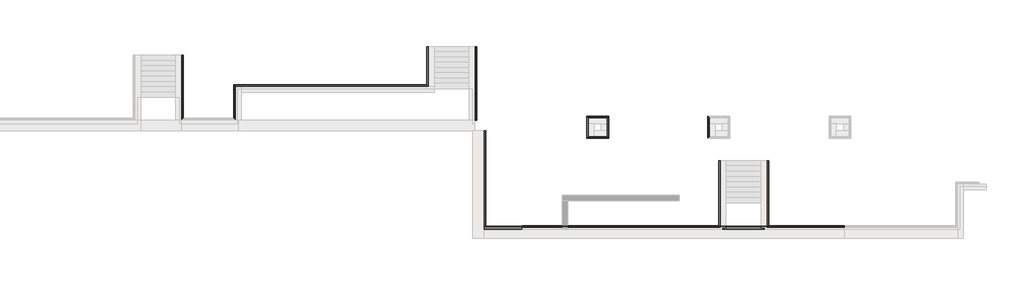
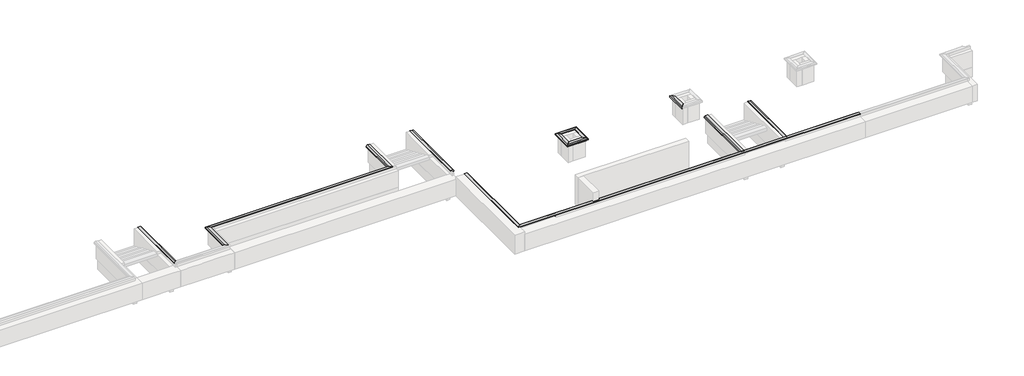
# One storey, part 9 of 10: 14 proxies.
"""IFC4 building model written with IfcOpenShell, lengths in millimetres."""

from ifc_helpers import new_model, si_unit, point, frame, frame_2d, origin, place, context, project, spatial, polyline, circle_curve, ellipse_curve, trimmed, segment, composite_curve, outline, extrude, element, save
from ifc_brep_helpers import plane_surface, revolved_surface, advanced_brep

model = new_model("IFC4")

# Units and contexts
model_context = context("Model", 3, world=origin())
ifc_project = project(units=[si_unit("LENGTHUNIT", "METRE", prefix="MILLI")], contexts=[model_context])

# Site, building, storey
site = spatial("IfcSite", under=ifc_project)
building = spatial("IfcBuilding", under=site)
storey = spatial("IfcBuildingStorey", under=building, Elevation=-1200.0)

# Proxies
placement = place(None, origin())
element("IfcBuildingElementProxy", 1, Name="Wall Sweeps", at=placement, inside=storey, context=model_context, shape_type="AdvancedBrep", body=[
    advanced_brep(
    [(-1774.9887159, 7118.1079487, -15.0), (-1839.9887159, 7053.1079487, 30.51349), (-1989.9887159, 6903.1079487, 30.51349), (-1989.9887159, 6903.1079487, 0.0), (-1889.9887159, 7003.1079487, 0.0), (-1889.9887159, 7003.1079487, -150.0), (-1839.9887159, 7053.1079487, -150.0), (-1774.9887159, 7118.1079487, -85.0), (-1774.9887159, 10693.1079487, -15.0), (-1774.9887159, 10693.1079487, -85.0), (-1839.9887159, 10693.1079487, -150.0), (-1889.9887159, 10693.1079487, -150.0), (-1889.9887159, 10693.1079487, 0.0), (-1989.9887159, 10693.1079487, 0.0), (-1989.9887159, 10693.1079487, 30.51349), (-1839.9887159, 10693.1079487, 30.51349), (-1989.9887159, 7003.1079487, 0.0), (-1989.9887159, 8293.1079487, 0.0)],
    [
        (0, 1),
        (1, 2),
        (2, 3),
        (3, 4),
        (4, 5),
        (5, 6),
        (6, 7, ellipse_curve(frame((-1774.9887159, 7118.1079487, -150.0), z_axis=(-0.7071067811865462, 0.7071067811865489, 0.0), x_axis=(0.7071067811865489, 0.707106781186546, 0.0)), 91.9238816, 65.0)),
        (7, 0),
        (8, 9),
        (9, 10, circle_curve(frame((-1774.9887159, 10693.1079487, -150.0), z_axis=(0.0, -1.0, 0.0), x_axis=(1.0, 0.0, 0.0)), 65.0)),
        (10, 11),
        (11, 12),
        (12, 13),
        (13, 14),
        (14, 15),
        (15, 8),
        (7, 9),
        (8, 0),
        (6, 10),
        (5, 11),
        (4, 12),
        (3, 16),
        (16, 17),
        (17, 13),
        (2, 14),
        (1, 15),
    ],
    [
        plane_surface(frame((-1889.9887159, 7003.1079487, 304.8), z_axis=(0.7071067811865462, -0.7071067811865489, 0.0), x_axis=(0.7071067811865489, 0.7071067811865462, 0.0))),
        plane_surface(frame((-2048.1025989, 10693.1079487, 0.0), z_axis=(0.0, 1.0, 0.0), x_axis=(0.0, 0.0, 1.0))),
        plane_surface(frame((-1774.9887159, 7118.1079487, -85.0), z_axis=(1.0, 0.0, 0.0), x_axis=(0.0, 1.0, 0.0))),
        revolved_surface(polyline([(-1709.9887159, 10693.1079487, -150.0), (-1709.9887159, 7053.107948667651, -150.0)]), (-1774.9887159, 7003.1079487, -150.0), (0.0, 1.0, 0.0)),
        plane_surface(frame((-1889.9887159, 7003.1079487, -150.0), z_axis=(0.0, 0.0, -1.0), x_axis=(0.0, 1.0, 0.0))),
        plane_surface(frame((-1889.9887159, 7003.1079487, 0.0), z_axis=(-1.0, 0.0, 0.0), x_axis=(0.0, 1.0, 0.0))),
        plane_surface(frame((-1989.9887159, 6903.1079487, 0.0), z_axis=(0.0, 0.0, -1.0), x_axis=(0.0, 1.0, 0.0))),
        plane_surface(frame((-1989.9887159, 6903.1079487, 30.51349), z_axis=(-1.0, 0.0, 0.0), x_axis=(0.0, 1.0, 0.0))),
        plane_surface(frame((-1839.9887159, 7053.1079487, 30.51349), z_axis=(0.0, 0.0, 1.0), x_axis=(0.0, 1.0, 0.0))),
        plane_surface(frame((-1774.9887159, 7118.1079487, -15.0), z_axis=(0.5735764363510482, 0.0, 0.8191520442889904), x_axis=(0.0, 1.0, 0.0))),
    ],
    [
        (0, [[1, 2, 3, 4, 5, 6, 7, 8]]),
        (1, [[9, 10, 11, 12, 13, 14, 15, 16]]),
        (2, [[-8, 17, -9, 18]]),
        (3, [[-7, 19, -10, -17]]),
        (4, [[-6, 20, -11, -19]]),
        (5, [[-5, 21, -12, -20]]),
        (6, [[-4, 22, 23, 24, -13, -21]]),
        (7, [[-3, 25, -14, -24, -23, -22]]),
        (8, [[-2, 26, -15, -25]]),
        (9, [[-1, -18, -16, -26]]),
    ],
),
])
element("IfcBuildingElementProxy", 2, Name="Wall Sweeps", at=placement, inside=storey, context=model_context, shape_type="AdvancedBrep", body=[
    advanced_brep(
    [(1095.0112841, 7118.1079487, -15.0), (1095.0112841, 7118.1079487, -85.0), (1160.0112841, 7053.1079487, -150.0), (1210.0112841, 7003.1079487, -150.0), (1210.0112841, 7003.1079487, 0.0), (1310.0112841, 6903.1079487, 0.0), (1310.0112841, 6903.1079487, 30.51349), (1160.0112841, 7053.1079487, 30.51349), (1095.0112841, 9008.1079487, -15.0), (1160.0112841, 8943.1079487, 30.51349), (1310.0112841, 8793.1079487, 30.51349), (1310.0112841, 8793.1079487, 0.0), (1210.0112841, 8893.1079487, 0.0), (1210.0112841, 8893.1079487, -150.0), (1160.0112841, 8943.1079487, -150.0), (1095.0112841, 9008.1079487, -85.0), (1310.0112841, 7003.1079487, 0.0)],
    [
        (0, 1),
        (1, 2, ellipse_curve(frame((1095.0112841, 7118.1079487, -150.0), z_axis=(0.7071067811865493, 0.7071067811865458, 0.0), x_axis=(-0.7071067811865458, 0.7071067811865491, 0.0)), 91.9238816, 65.0)),
        (2, 3),
        (3, 4),
        (4, 5),
        (5, 6),
        (6, 7),
        (7, 0),
        (8, 9),
        (9, 10),
        (10, 11),
        (11, 12),
        (12, 13),
        (13, 14),
        (14, 15, ellipse_curve(frame((1095.0112841, 9008.1079487, -150.0), z_axis=(-0.7071067811865493, -0.7071067811865458, 0.0), x_axis=(-0.7071067811865458, 0.7071067811865491, 0.0)), 91.9238816, 65.0)),
        (15, 8),
        (0, 8),
        (15, 1),
        (14, 2),
        (13, 3),
        (12, 4),
        (11, 16),
        (16, 5),
        (10, 6),
        (9, 7),
    ],
    [
        plane_surface(frame((1210.0112841, 7003.1079487, -304.8), z_axis=(-0.7071067811865493, -0.7071067811865458, 0.0), x_axis=(-0.7071067811865458, 0.7071067811865493, 0.0))),
        plane_surface(frame((1210.0112841, 8893.1079487, 304.8), z_axis=(0.7071067811865493, 0.7071067811865458, 0.0), x_axis=(0.7071067811865458, -0.7071067811865493, 0.0))),
        plane_surface(frame((1095.0112841, 7118.1079487, -15.0), z_axis=(-1.0, 0.0, 0.0), x_axis=(0.0, 1.0, 0.0))),
        revolved_surface(polyline([(1030.0112841, 9073.10794873235, -150.0), (1030.0112841, 7053.10794866765, -150.0)]), (1095.0112841, 7003.1079487, -150.0), (0.0, 1.0, 0.0)),
        plane_surface(frame((1160.0112841, 7053.1079487, -150.0), z_axis=(0.0, 0.0, -1.0), x_axis=(0.0, 1.0, 0.0))),
        plane_surface(frame((1210.0112841, 7003.1079487, -150.0), z_axis=(1.0, 0.0, 0.0), x_axis=(0.0, 1.0, 0.0))),
        plane_surface(frame((1210.0112841, 7003.1079487, 0.0), z_axis=(0.0, 0.0, -1.0), x_axis=(0.0, 1.0, 0.0))),
        plane_surface(frame((1310.0112841, 6903.1079487, 0.0), z_axis=(1.0, 0.0, 0.0), x_axis=(0.0, 1.0, 0.0))),
        plane_surface(frame((1310.0112841, 6903.1079487, 30.51349), z_axis=(0.0, 0.0, 1.0), x_axis=(0.0, 1.0, 0.0))),
        plane_surface(frame((1160.0112841, 7053.1079487, 30.51349), z_axis=(-0.5735764363510482, 0.0, 0.8191520442889904), x_axis=(0.0, 1.0, 0.0))),
    ],
    [
        (0, [[1, 2, 3, 4, 5, 6, 7, 8]]),
        (1, [[9, 10, 11, 12, 13, 14, 15, 16]]),
        (2, [[-1, 17, -16, 18]]),
        (3, [[-2, -18, -15, 19]]),
        (4, [[-3, -19, -14, 20]]),
        (5, [[-4, -20, -13, 21]]),
        (6, [[-5, -21, -12, 22, 23]]),
        (7, [[-6, -23, -22, -11, 24]]),
        (8, [[-7, -24, -10, 25]]),
        (9, [[-8, -25, -9, -17]]),
    ],
),
])
element("IfcBuildingElementProxy", 3, Name="Wall Sweeps", at=placement, inside=storey, context=model_context, shape_type="AdvancedBrep", body=[
    advanced_brep(
    [(12075.0112841, 9008.1079487, -85.0), (12075.0112841, 9008.1079487, -15.0), (12140.0112841, 8943.1079487, 30.51349), (12290.0112841, 8793.1079487, 30.51349), (12290.0112841, 8793.1079487, 0.0), (12190.0112841, 8893.1079487, 0.0), (12190.0112841, 8893.1079487, -150.0), (12140.0112841, 8943.1079487, -150.0), (1095.0112841, 9008.1079487, -15.0), (1095.0112841, 9008.1079487, -85.0), (1160.0112841, 8943.1079487, -150.0), (1210.0112841, 8893.1079487, -150.0), (1210.0112841, 8893.1079487, 0.0), (1310.0112841, 8793.1079487, 0.0), (1310.0112841, 8793.1079487, 30.51349), (1160.0112841, 8943.1079487, 30.51349), (1520.0112841, 8893.1079487, -150.0), (1520.0112841, 8893.1079487, 0.0), (1520.0112841, 8793.1079487, 0.0)],
    [
        (0, 1),
        (1, 2),
        (2, 3),
        (3, 4),
        (4, 5),
        (5, 6),
        (6, 7),
        (7, 0, ellipse_curve(frame((12075.0112841, 9008.1079487, -150.0), z_axis=(-0.7071067811865493, -0.7071067811865458, 0.0), x_axis=(-0.7071067811865456, 0.7071067811865495, 0.0)), 91.9238816, 65.0)),
        (8, 9),
        (9, 10, ellipse_curve(frame((1095.0112841, 9008.1079487, -150.0), z_axis=(0.7071067811865493, 0.7071067811865458, 0.0), x_axis=(-0.7071067811865456, 0.7071067811865495, 0.0)), 91.9238816, 65.0)),
        (10, 11),
        (11, 12),
        (12, 13),
        (13, 14),
        (14, 15),
        (15, 8),
        (0, 9),
        (8, 1),
        (7, 10),
        (6, 16),
        (16, 11),
        (5, 17),
        (17, 12),
        (4, 18),
        (18, 13),
        (3, 14),
        (2, 15),
    ],
    [
        plane_surface(frame((12190.0112841, 8893.1079487, 304.8), z_axis=(0.7071067811865493, 0.7071067811865458, 0.0), x_axis=(-0.7071067811865458, 0.7071067811865493, 0.0))),
        plane_surface(frame((1210.0112841, 8893.1079487, -304.8), z_axis=(-0.7071067811865493, -0.7071067811865458, 0.0), x_axis=(0.7071067811865458, -0.7071067811865493, 0.0))),
        plane_surface(frame((12075.0112841, 9008.1079487, -85.0), z_axis=(0.0, 1.0, 0.0), x_axis=(-1.0, 0.0, 0.0))),
        revolved_surface(polyline([(1030.0112840676502, 9073.1079487, -150.0), (12140.011284132348, 9073.1079487, -150.0)]), (12190.0112841, 9008.1079487, -150.0), (-1.0, 0.0, 0.0)),
        plane_surface(frame((12190.0112841, 8893.1079487, -150.0), z_axis=(0.0, 0.0, -1.0), x_axis=(-1.0, 0.0, 0.0))),
        plane_surface(frame((12190.0112841, 8893.1079487, 0.0), z_axis=(0.0, -1.0, 0.0), x_axis=(-1.0, 0.0, 0.0))),
        plane_surface(frame((12290.0112841, 8793.1079487, 0.0), z_axis=(0.0, 0.0, -1.0), x_axis=(-1.0, 0.0, 0.0))),
        plane_surface(frame((12290.0112841, 8793.1079487, 30.51349), z_axis=(0.0, -1.0, 0.0), x_axis=(-1.0, 0.0, 0.0))),
        plane_surface(frame((12140.0112841, 8943.1079487, 30.51349), z_axis=(0.0, 0.0, 1.0), x_axis=(-1.0, 0.0, 0.0))),
        plane_surface(frame((12075.0112841, 9008.1079487, -15.0), z_axis=(0.0, 0.5735764363510482, 0.8191520442889904), x_axis=(-1.0, 0.0, 0.0))),
    ],
    [
        (0, [[1, 2, 3, 4, 5, 6, 7, 8]]),
        (1, [[9, 10, 11, 12, 13, 14, 15, 16]]),
        (2, [[-1, 17, -9, 18]]),
        (3, [[-8, 19, -10, -17]]),
        (4, [[-7, 20, 21, -11, -19]]),
        (5, [[-6, 22, 23, -12, -21, -20]]),
        (6, [[-5, 24, 25, -13, -23, -22]]),
        (7, [[-4, 26, -14, -25, -24]]),
        (8, [[-3, 27, -15, -26]]),
        (9, [[-2, -18, -16, -27]]),
    ],
),
])
element("IfcBuildingElementProxy", 4, Name="Wall Sweeps", at=placement, inside=storey, context=model_context, shape_type="AdvancedBrep", body=[
    advanced_brep(
    [(14925.0112841, 7003.1079487, -85.0), (14925.0112841, 7003.1079487, -15.0), (14860.0112841, 7003.1079487, 30.51349), (14710.0112841, 7003.1079487, 30.51349), (14710.0112841, 7003.1079487, 0.0), (14810.0112841, 7003.1079487, 0.0), (14810.0112841, 7003.1079487, -150.0), (14860.0112841, 7003.1079487, -150.0), (14925.0112841, 11193.1079487, -15.0), (14925.0112841, 11193.1079487, -85.0), (14860.0112841, 11193.1079487, -150.0), (14810.0112841, 11193.1079487, -150.0), (14810.0112841, 11193.1079487, 0.0), (14710.0112841, 11193.1079487, 0.0), (14710.0112841, 11193.1079487, 30.51349), (14860.0112841, 11193.1079487, 30.51349), (14710.0112841, 8793.1079487, 0.0)],
    [
        (0, 1),
        (1, 2),
        (2, 3),
        (3, 4),
        (4, 5),
        (5, 6),
        (6, 7),
        (7, 0, circle_curve(frame((14925.0112841, 7003.1079487, -150.0), z_axis=(0.0, 1.0, 0.0), x_axis=(1.0, 0.0, 0.0)), 65.0)),
        (8, 9),
        (9, 10, circle_curve(frame((14925.0112841, 11193.1079487, -150.0), z_axis=(0.0, -1.0, 0.0), x_axis=(1.0, 0.0, 0.0)), 65.0)),
        (10, 11),
        (11, 12),
        (12, 13),
        (13, 14),
        (14, 15),
        (15, 8),
        (0, 9),
        (8, 1),
        (7, 10),
        (6, 11),
        (5, 12),
        (4, 16),
        (16, 13),
        (3, 14),
        (2, 15),
    ],
    [
        plane_surface(frame((14651.8974011, 7003.1079487, 0.0), z_axis=(0.0, -1.0, 0.0), x_axis=(0.0, 0.0, 1.0))),
        plane_surface(frame((14651.8974011, 11193.1079487, 0.0), z_axis=(0.0, 1.0, 0.0), x_axis=(0.0, 0.0, 1.0))),
        plane_surface(frame((14925.0112841, 7003.1079487, -85.0), z_axis=(1.0, 0.0, 0.0), x_axis=(0.0, 1.0, 0.0))),
        revolved_surface(polyline([(14990.0112841, 11193.1079487, -150.0), (14990.0112841, 7003.1079487, -150.0)]), (14925.0112841, 7003.1079487, -150.0), (0.0, 1.0, 0.0)),
        plane_surface(frame((14810.0112841, 7003.1079487, -150.0), z_axis=(0.0, 0.0, -1.0), x_axis=(0.0, 1.0, 0.0))),
        plane_surface(frame((14810.0112841, 7003.1079487, 0.0), z_axis=(-1.0, 0.0, 0.0), x_axis=(0.0, 1.0, 0.0))),
        plane_surface(frame((14710.0112841, 7003.1079487, 0.0), z_axis=(0.0, 0.0, -1.0), x_axis=(0.0, 1.0, 0.0))),
        plane_surface(frame((14710.0112841, 7003.1079487, 30.51349), z_axis=(-1.0, 0.0, 0.0), x_axis=(0.0, 1.0, 0.0))),
        plane_surface(frame((14860.0112841, 7003.1079487, 30.51349), z_axis=(0.0, 0.0, 1.0), x_axis=(0.0, 1.0, 0.0))),
        plane_surface(frame((14925.0112841, 7003.1079487, -15.0), z_axis=(0.5735764363510482, 0.0, 0.8191520442889904), x_axis=(0.0, 1.0, 0.0))),
    ],
    [
        (0, [[1, 2, 3, 4, 5, 6, 7, 8]]),
        (1, [[9, 10, 11, 12, 13, 14, 15, 16]]),
        (2, [[-1, 17, -9, 18]]),
        (3, [[-8, 19, -10, -17]]),
        (4, [[-7, 20, -11, -19]]),
        (5, [[-6, 21, -12, -20]]),
        (6, [[-5, 22, 23, -13, -21]]),
        (7, [[-4, 24, -14, -23, -22]]),
        (8, [[-3, 25, -15, -24]]),
        (9, [[-2, -18, -16, -25]]),
    ],
),
])
element("IfcBuildingElementProxy", 5, Name="Wall Sweeps", at=placement, inside=storey, context=model_context, shape_type="AdvancedBrep", body=[
    advanced_brep(
    [(12075.0112841, 9008.1079487, -15.0), (12075.0112841, 9008.1079487, -85.0), (12140.0112841, 8943.1079487, -150.0), (12190.0112841, 8893.1079487, -150.0), (12190.0112841, 8893.1079487, 0.0), (12290.0112841, 8793.1079487, 0.0), (12290.0112841, 8793.1079487, 30.51349), (12140.0112841, 8943.1079487, 30.51349), (12075.0112841, 11193.1079487, -15.0), (12140.0112841, 11193.1079487, 30.51349), (12290.0112841, 11193.1079487, 30.51349), (12290.0112841, 11193.1079487, 0.0), (12190.0112841, 11193.1079487, 0.0), (12190.0112841, 11193.1079487, -150.0), (12140.0112841, 11193.1079487, -150.0), (12075.0112841, 11193.1079487, -85.0)],
    [
        (0, 1),
        (1, 2, ellipse_curve(frame((12075.0112841, 9008.1079487, -150.0), z_axis=(0.7071067811865493, 0.7071067811865458, 0.0), x_axis=(-0.7071067811865458, 0.7071067811865491, 0.0)), 91.9238816, 65.0)),
        (2, 3),
        (3, 4),
        (4, 5),
        (5, 6),
        (6, 7),
        (7, 0),
        (8, 9),
        (9, 10),
        (10, 11),
        (11, 12),
        (12, 13),
        (13, 14),
        (14, 15, circle_curve(frame((12075.0112841, 11193.1079487, -150.0), z_axis=(0.0, -1.0, 0.0), x_axis=(-1.0, 0.0, 0.0)), 65.0)),
        (15, 8),
        (0, 8),
        (15, 1),
        (14, 2),
        (13, 3),
        (12, 4),
        (11, 5),
        (10, 6),
        (9, 7),
    ],
    [
        plane_surface(frame((12190.0112841, 8893.1079487, -304.8), z_axis=(-0.7071067811865493, -0.7071067811865458, 0.0), x_axis=(-0.7071067811865458, 0.7071067811865493, 0.0))),
        plane_surface(frame((12031.8974011, 11193.1079487, 0.0), z_axis=(0.0, 1.0, 0.0), x_axis=(0.0, 0.0, 1.0))),
        plane_surface(frame((12075.0112841, 9008.1079487, -15.0), z_axis=(-1.0, 0.0, 0.0), x_axis=(0.0, 1.0, 0.0))),
        revolved_surface(polyline([(12010.0112841, 11193.1079487, -150.0), (12010.0112841, 8943.107948667652, -150.0)]), (12075.0112841, 8893.1079487, -150.0), (0.0, 1.0, 0.0)),
        plane_surface(frame((12140.0112841, 8943.1079487, -150.0), z_axis=(0.0, 0.0, -1.0), x_axis=(0.0, 1.0, 0.0))),
        plane_surface(frame((12190.0112841, 8893.1079487, -150.0), z_axis=(1.0, 0.0, 0.0), x_axis=(0.0, 1.0, 0.0))),
        plane_surface(frame((12190.0112841, 8893.1079487, 0.0), z_axis=(0.0, 0.0, -1.0), x_axis=(0.0, 1.0, 0.0))),
        plane_surface(frame((12290.0112841, 8793.1079487, 0.0), z_axis=(1.0, 0.0, 0.0), x_axis=(0.0, 1.0, 0.0))),
        plane_surface(frame((12290.0112841, 8793.1079487, 30.51349), z_axis=(0.0, 0.0, 1.0), x_axis=(0.0, 1.0, 0.0))),
        plane_surface(frame((12140.0112841, 8943.1079487, 30.51349), z_axis=(-0.5735764363510482, 0.0, 0.8191520442889904), x_axis=(0.0, 1.0, 0.0))),
    ],
    [
        (0, [[1, 2, 3, 4, 5, 6, 7, 8]]),
        (1, [[9, 10, 11, 12, 13, 14, 15, 16]]),
        (2, [[-1, 17, -16, 18]]),
        (3, [[-2, -18, -15, 19]]),
        (4, [[-3, -19, -14, 20]]),
        (5, [[-4, -20, -13, 21]]),
        (6, [[-5, -21, -12, 22]]),
        (7, [[-6, -22, -11, 23]]),
        (8, [[-7, -23, -10, 24]]),
        (9, [[-8, -24, -9, -17]]),
    ],
),
])
element("IfcBuildingElementProxy", 6, Name="Wall Sweeps", at=placement, inside=storey, context=model_context, shape_type="AdvancedBrep", body=[
    advanced_brep(
    [(21185.0112841, 7218.1079487, -15.0), (21185.0112841, 7218.1079487, -85.0), (21250.0112841, 7153.1079487, -150.0), (21300.0112841, 7103.1079487, -150.0), (21300.0112841, 7103.1079487, 0.0), (21400.0112841, 7003.1079487, 0.0), (21400.0112841, 7003.1079487, 30.51349), (21250.0112841, 7153.1079487, 30.51349), (22435.0112841, 7218.1079487, -15.0), (22370.0112841, 7153.1079487, 30.51349), (22220.0112841, 7003.1079487, 30.51349), (22220.0112841, 7003.1079487, 0.0), (22320.0112841, 7103.1079487, 0.0), (22320.0112841, 7103.1079487, -150.0), (22370.0112841, 7153.1079487, -150.0), (22435.0112841, 7218.1079487, -85.0)],
    [
        (0, 1),
        (1, 2, ellipse_curve(frame((21185.0112841, 7218.1079487, -150.0), z_axis=(0.7071067811865458, 0.7071067811865493, 0.0), x_axis=(0.7071067811865492, -0.7071067811865458, 0.0)), 91.9238816, 65.0)),
        (2, 3),
        (3, 4),
        (4, 5),
        (5, 6),
        (6, 7),
        (7, 0),
        (8, 9),
        (9, 10),
        (10, 11),
        (11, 12),
        (12, 13),
        (13, 14),
        (14, 15, ellipse_curve(frame((22435.0112841, 7218.1079487, -150.0), z_axis=(-0.707106781186544, 0.7071067811865511, 0.0), x_axis=(0.7071067811865509, 0.707106781186544, 0.0)), 91.9238816, 65.0)),
        (15, 8),
        (0, 8),
        (15, 1),
        (14, 2),
        (13, 3),
        (12, 4),
        (11, 5),
        (10, 6),
        (9, 7),
    ],
    [
        plane_surface(frame((21300.0112841, 7103.1079487, 304.8), z_axis=(-0.7071067811865458, -0.7071067811865493, 0.0), x_axis=(0.7071067811865493, -0.7071067811865458, 0.0))),
        plane_surface(frame((22320.0112841, 7103.1079487, 304.8), z_axis=(0.707106781186544, -0.7071067811865511, 0.0), x_axis=(-0.7071067811865511, -0.707106781186544, 0.0))),
        plane_surface(frame((21185.0112841, 7218.1079487, -15.0), z_axis=(0.0, 1.0, 0.0), x_axis=(1.0, 0.0, 0.0))),
        revolved_surface(polyline([(22500.01128413235, 7283.1079487, -150.0), (21120.011284067652, 7283.1079487, -150.0)]), (21300.0112841, 7218.1079487, -150.0), (1.0, 0.0, 0.0)),
        plane_surface(frame((21250.0112841, 7153.1079487, -150.0), z_axis=(0.0, 0.0, -1.0), x_axis=(1.0, 0.0, 0.0))),
        plane_surface(frame((21300.0112841, 7103.1079487, -150.0), z_axis=(0.0, -1.0, 0.0), x_axis=(1.0, 0.0, 0.0))),
        plane_surface(frame((21300.0112841, 7103.1079487, 0.0), z_axis=(0.0, 0.0, -1.0), x_axis=(1.0, 0.0, 0.0))),
        plane_surface(frame((21400.0112841, 7003.1079487, 0.0), z_axis=(0.0, -1.0, 0.0), x_axis=(1.0, 0.0, 0.0))),
        plane_surface(frame((21400.0112841, 7003.1079487, 30.51349), z_axis=(0.0, 0.0, 1.0), x_axis=(1.0, 0.0, 0.0))),
        plane_surface(frame((21250.0112841, 7153.1079487, 30.51349), z_axis=(0.0, 0.5735764363510482, 0.8191520442889904), x_axis=(1.0, 0.0, 0.0))),
    ],
    [
        (0, [[1, 2, 3, 4, 5, 6, 7, 8]]),
        (1, [[9, 10, 11, 12, 13, 14, 15, 16]]),
        (2, [[-1, 17, -16, 18]]),
        (3, [[-2, -18, -15, 19]]),
        (4, [[-3, -19, -14, 20]]),
        (5, [[-4, -20, -13, 21]]),
        (6, [[-5, -21, -12, 22]]),
        (7, [[-6, -22, -11, 23]]),
        (8, [[-7, -23, -10, 24]]),
        (9, [[-8, -24, -9, -17]]),
    ],
),
])
element("IfcBuildingElementProxy", 7, Name="Wall Sweeps", at=placement, inside=storey, context=model_context, shape_type="AdvancedBrep", body=[
    advanced_brep(
    [(21185.0112841, 7218.1079487, -15.0), (21250.0112841, 7153.1079487, 30.51349), (21400.0112841, 7003.1079487, 30.51349), (21400.0112841, 7003.1079487, 0.0), (21300.0112841, 7103.1079487, 0.0), (21300.0112841, 7103.1079487, -150.0), (21250.0112841, 7153.1079487, -150.0), (21185.0112841, 7218.1079487, -85.0), (21185.0112841, 5968.1079487, -15.0), (21185.0112841, 5968.1079487, -85.0), (21250.0112841, 6033.1079487, -150.0), (21300.0112841, 6083.1079487, -150.0), (21300.0112841, 6083.1079487, 0.0), (21400.0112841, 6183.1079487, 0.0), (21400.0112841, 6183.1079487, 30.51349), (21250.0112841, 6033.1079487, 30.51349), (21300.0112841, 6793.1079487, 0.0)],
    [
        (0, 1),
        (1, 2),
        (2, 3),
        (3, 4),
        (4, 5),
        (5, 6),
        (6, 7, ellipse_curve(frame((21185.0112841, 7218.1079487, -150.0), z_axis=(-0.7071067811865458, -0.7071067811865493, 0.0), x_axis=(0.7071067811865495, -0.7071067811865457, 0.0)), 91.9238816, 65.0)),
        (7, 0),
        (8, 9),
        (9, 10, ellipse_curve(frame((21185.0112841, 5968.1079487, -150.0), z_axis=(-0.707106781186544, 0.7071067811865511, 0.0), x_axis=(-0.7071067811865511, -0.7071067811865439, 0.0)), 91.9238816, 65.0)),
        (10, 11),
        (11, 12),
        (12, 13),
        (13, 14),
        (14, 15),
        (15, 8),
        (7, 9),
        (8, 0),
        (6, 10),
        (5, 11),
        (4, 16),
        (16, 12),
        (3, 13),
        (2, 14),
        (1, 15),
    ],
    [
        plane_surface(frame((21300.0112841, 7103.1079487, -304.8), z_axis=(0.7071067811865458, 0.7071067811865493, 0.0), x_axis=(0.7071067811865493, -0.7071067811865458, 0.0))),
        plane_surface(frame((21300.0112841, 6083.1079487, -304.8), z_axis=(0.707106781186544, -0.7071067811865511, 0.0), x_axis=(0.7071067811865511, 0.707106781186544, 0.0))),
        plane_surface(frame((21185.0112841, 7218.1079487, -85.0), z_axis=(-1.0, 0.0, 0.0), x_axis=(0.0, -1.0, 0.0))),
        revolved_surface(polyline([(21120.0112841, 5903.107948667651, -150.0), (21120.0112841, 7283.107948732349, -150.0)]), (21185.0112841, 7103.1079487, -150.0), (0.0, -1.0, 0.0)),
        plane_surface(frame((21300.0112841, 7103.1079487, -150.0), z_axis=(0.0, 0.0, -1.0), x_axis=(0.0, -1.0, 0.0))),
        plane_surface(frame((21300.0112841, 7103.1079487, 0.0), z_axis=(1.0, 0.0, 0.0), x_axis=(0.0, -1.0, 0.0))),
        plane_surface(frame((21400.0112841, 7003.1079487, 0.0), z_axis=(0.0, 0.0, -1.0), x_axis=(0.0, -1.0, 0.0))),
        plane_surface(frame((21400.0112841, 7003.1079487, 30.51349), z_axis=(1.0, 0.0, 0.0), x_axis=(0.0, -1.0, 0.0))),
        plane_surface(frame((21250.0112841, 7153.1079487, 30.51349), z_axis=(0.0, 0.0, 1.0), x_axis=(0.0, -1.0, 0.0))),
        plane_surface(frame((21185.0112841, 7218.1079487, -15.0), z_axis=(-0.5735764363510482, 0.0, 0.8191520442889904), x_axis=(0.0, -1.0, 0.0))),
    ],
    [
        (0, [[1, 2, 3, 4, 5, 6, 7, 8]]),
        (1, [[9, 10, 11, 12, 13, 14, 15, 16]]),
        (2, [[-8, 17, -9, 18]]),
        (3, [[-7, 19, -10, -17]]),
        (4, [[-6, 20, -11, -19]]),
        (5, [[-5, 21, 22, -12, -20]]),
        (6, [[-4, 23, -13, -22, -21]]),
        (7, [[-3, 24, -14, -23]]),
        (8, [[-2, 25, -15, -24]]),
        (9, [[-1, -18, -16, -25]]),
    ],
),
])
element("IfcBuildingElementProxy", 8, Name="Wall Sweeps", at=placement, inside=storey, context=model_context, shape_type="AdvancedBrep", body=[
    advanced_brep(
    [(22435.0112841, 5968.1079487, -15.0), (22435.0112841, 5968.1079487, -85.0), (22370.0112841, 6033.1079487, -150.0), (22320.0112841, 6083.1079487, -150.0), (22320.0112841, 6083.1079487, 0.0), (22220.0112841, 6183.1079487, 0.0), (22220.0112841, 6183.1079487, 30.51349), (22370.0112841, 6033.1079487, 30.51349), (21185.0112841, 5968.1079487, -15.0), (21250.0112841, 6033.1079487, 30.51349), (21400.0112841, 6183.1079487, 30.51349), (21400.0112841, 6183.1079487, 0.0), (21300.0112841, 6083.1079487, 0.0), (21300.0112841, 6083.1079487, -150.0), (21250.0112841, 6033.1079487, -150.0), (21185.0112841, 5968.1079487, -85.0), (21610.0112841, 6083.1079487, 0.0)],
    [
        (0, 1),
        (1, 2, ellipse_curve(frame((22435.0112841, 5968.1079487, -150.0), z_axis=(-0.7071067811865458, -0.7071067811865493, 0.0), x_axis=(-0.7071067811865491, 0.7071067811865458, 0.0)), 91.9238816, 65.0)),
        (2, 3),
        (3, 4),
        (4, 5),
        (5, 6),
        (6, 7),
        (7, 0),
        (8, 9),
        (9, 10),
        (10, 11),
        (11, 12),
        (12, 13),
        (13, 14),
        (14, 15, ellipse_curve(frame((21185.0112841, 5968.1079487, -150.0), z_axis=(0.707106781186544, -0.7071067811865511, 0.0), x_axis=(-0.7071067811865509, -0.707106781186544, 0.0)), 91.9238816, 65.0)),
        (15, 8),
        (0, 8),
        (15, 1),
        (14, 2),
        (13, 3),
        (12, 16),
        (16, 4),
        (11, 5),
        (10, 6),
        (9, 7),
    ],
    [
        plane_surface(frame((22320.0112841, 6083.1079487, 304.8), z_axis=(0.7071067811865458, 0.7071067811865493, 0.0), x_axis=(-0.7071067811865493, 0.7071067811865458, 0.0))),
        plane_surface(frame((21300.0112841, 6083.1079487, 304.8), z_axis=(-0.707106781186544, 0.7071067811865511, 0.0), x_axis=(0.7071067811865511, 0.707106781186544, 0.0))),
        plane_surface(frame((22435.0112841, 5968.1079487, -15.0), z_axis=(0.0, -1.0, 0.0), x_axis=(-1.0, 0.0, 0.0))),
        revolved_surface(polyline([(21120.011284067652, 5903.1079487, -150.0), (22500.01128413235, 5903.1079487, -150.0)]), (22320.0112841, 5968.1079487, -150.0), (-1.0, 0.0, 0.0)),
        plane_surface(frame((22370.0112841, 6033.1079487, -150.0), z_axis=(0.0, 0.0, -1.0), x_axis=(-1.0, 0.0, 0.0))),
        plane_surface(frame((22320.0112841, 6083.1079487, -150.0), z_axis=(0.0, 1.0, 0.0), x_axis=(-1.0, 0.0, 0.0))),
        plane_surface(frame((22320.0112841, 6083.1079487, 0.0), z_axis=(0.0, 0.0, -1.0), x_axis=(-1.0, 0.0, 0.0))),
        plane_surface(frame((22220.0112841, 6183.1079487, 0.0), z_axis=(0.0, 1.0, 0.0), x_axis=(-1.0, 0.0, 0.0))),
        plane_surface(frame((22220.0112841, 6183.1079487, 30.51349), z_axis=(0.0, 0.0, 1.0), x_axis=(-1.0, 0.0, 0.0))),
        plane_surface(frame((22370.0112841, 6033.1079487, 30.51349), z_axis=(0.0, -0.5735764363510482, 0.8191520442889904), x_axis=(-1.0, 0.0, 0.0))),
    ],
    [
        (0, [[1, 2, 3, 4, 5, 6, 7, 8]]),
        (1, [[9, 10, 11, 12, 13, 14, 15, 16]]),
        (2, [[-1, 17, -16, 18]]),
        (3, [[-2, -18, -15, 19]]),
        (4, [[-3, -19, -14, 20]]),
        (5, [[-4, -20, -13, 21, 22]]),
        (6, [[-5, -22, -21, -12, 23]]),
        (7, [[-6, -23, -11, 24]]),
        (8, [[-7, -24, -10, 25]]),
        (9, [[-8, -25, -9, -17]]),
    ],
),
])
element("IfcBuildingElementProxy", 9, Name="Wall Sweeps", at=placement, inside=storey, context=model_context, shape_type="AdvancedBrep", body=[
    advanced_brep(
    [(22435.0112841, 7218.1079487, -15.0), (22435.0112841, 7218.1079487, -85.0), (22370.0112841, 7153.1079487, -150.0), (22320.0112841, 7103.1079487, -150.0), (22320.0112841, 7103.1079487, 0.0), (22220.0112841, 7003.1079487, 0.0), (22220.0112841, 7003.1079487, 30.51349), (22370.0112841, 7153.1079487, 30.51349), (22435.0112841, 5968.1079487, -15.0), (22370.0112841, 6033.1079487, 30.51349), (22220.0112841, 6183.1079487, 30.51349), (22220.0112841, 6183.1079487, 0.0), (22320.0112841, 6083.1079487, 0.0), (22320.0112841, 6083.1079487, -150.0), (22370.0112841, 6033.1079487, -150.0), (22435.0112841, 5968.1079487, -85.0), (22320.0112841, 6393.1079487, 0.0), (22320.0112841, 6793.1079487, 0.0)],
    [
        (0, 1),
        (1, 2, ellipse_curve(frame((22435.0112841, 7218.1079487, -150.0), z_axis=(0.707106781186544, -0.7071067811865511, 0.0), x_axis=(-0.7071067811865511, -0.7071067811865439, 0.0)), 91.9238816, 65.0)),
        (2, 3),
        (3, 4),
        (4, 5),
        (5, 6),
        (6, 7),
        (7, 0),
        (8, 9),
        (9, 10),
        (10, 11),
        (11, 12),
        (12, 13),
        (13, 14),
        (14, 15, ellipse_curve(frame((22435.0112841, 5968.1079487, -150.0), z_axis=(0.7071067811865458, 0.7071067811865493, 0.0), x_axis=(0.7071067811865495, -0.7071067811865457, 0.0)), 91.9238816, 65.0)),
        (15, 8),
        (0, 8),
        (15, 1),
        (14, 2),
        (13, 3),
        (12, 16),
        (16, 17),
        (17, 4),
        (11, 5),
        (10, 6),
        (9, 7),
    ],
    [
        plane_surface(frame((22320.0112841, 7103.1079487, 304.8), z_axis=(-0.707106781186544, 0.7071067811865511, 0.0), x_axis=(-0.7071067811865511, -0.707106781186544, 0.0))),
        plane_surface(frame((22320.0112841, 6083.1079487, 304.8), z_axis=(-0.7071067811865458, -0.7071067811865493, 0.0), x_axis=(-0.7071067811865493, 0.7071067811865458, 0.0))),
        plane_surface(frame((22435.0112841, 7218.1079487, -15.0), z_axis=(1.0, 0.0, 0.0), x_axis=(0.0, -1.0, 0.0))),
        revolved_surface(polyline([(22500.0112841, 5903.107948667651, -150.0), (22500.0112841, 7283.107948732349, -150.0)]), (22435.0112841, 7103.1079487, -150.0), (0.0, -1.0, 0.0)),
        plane_surface(frame((22370.0112841, 7153.1079487, -150.0), z_axis=(0.0, 0.0, -1.0), x_axis=(0.0, -1.0, 0.0))),
        plane_surface(frame((22320.0112841, 7103.1079487, -150.0), z_axis=(-1.0, 0.0, 0.0), x_axis=(0.0, -1.0, 0.0))),
        plane_surface(frame((22320.0112841, 7103.1079487, 0.0), z_axis=(0.0, 0.0, -1.0), x_axis=(0.0, -1.0, 0.0))),
        plane_surface(frame((22220.0112841, 7003.1079487, 0.0), z_axis=(-1.0, 0.0, 0.0), x_axis=(0.0, -1.0, 0.0))),
        plane_surface(frame((22220.0112841, 7003.1079487, 30.51349), z_axis=(0.0, 0.0, 1.0), x_axis=(0.0, -1.0, 0.0))),
        plane_surface(frame((22370.0112841, 7153.1079487, 30.51349), z_axis=(0.5735764363510482, 0.0, 0.8191520442889904), x_axis=(0.0, -1.0, 0.0))),
    ],
    [
        (0, [[1, 2, 3, 4, 5, 6, 7, 8]]),
        (1, [[9, 10, 11, 12, 13, 14, 15, 16]]),
        (2, [[-1, 17, -16, 18]]),
        (3, [[-2, -18, -15, 19]]),
        (4, [[-3, -19, -14, 20]]),
        (5, [[-4, -20, -13, 21, 22, 23]]),
        (6, [[-5, -23, -22, -21, -12, 24]]),
        (7, [[-6, -24, -11, 25]]),
        (8, [[-7, -25, -10, 26]]),
        (9, [[-8, -26, -9, -17]]),
    ],
),
])
element("IfcBuildingElementProxy", 10, Name="Wall Sweeps", at=placement, inside=storey, context=model_context, shape_type="AdvancedBrep", body=[
    advanced_brep(
    [(28085.0112841, 7218.1079487, -15.0), (28150.0112841, 7153.1079487, 30.51349), (28300.0112841, 7003.1079487, 30.51349), (28300.0112841, 7003.1079487, 0.0), (28200.0112841, 7103.1079487, 0.0), (28200.0112841, 7103.1079487, -150.0), (28150.0112841, 7153.1079487, -150.0), (28085.0112841, 7218.1079487, -85.0), (28085.0112841, 5968.1079487, -15.0), (28085.0112841, 5968.1079487, -85.0), (28150.0112841, 6033.1079487, -150.0), (28200.0112841, 6083.1079487, -150.0), (28200.0112841, 6083.1079487, 0.0), (28300.0112841, 6183.1079487, 0.0), (28300.0112841, 6183.1079487, 30.51349), (28150.0112841, 6033.1079487, 30.51349), (28200.0112841, 6793.1079487, 0.0)],
    [
        (0, 1),
        (1, 2),
        (2, 3),
        (3, 4),
        (4, 5),
        (5, 6),
        (6, 7, ellipse_curve(frame((28085.0112841, 7218.1079487, -150.0), z_axis=(-0.7071067811865458, -0.7071067811865493, 0.0), x_axis=(0.7071067811865495, -0.7071067811865457, 0.0)), 91.9238816, 65.0)),
        (7, 0),
        (8, 9),
        (9, 10, ellipse_curve(frame((28085.0112841, 5968.1079487, -150.0), z_axis=(-0.707106781186544, 0.7071067811865511, 0.0), x_axis=(-0.7071067811865511, -0.7071067811865439, 0.0)), 91.9238816, 65.0)),
        (10, 11),
        (11, 12),
        (12, 13),
        (13, 14),
        (14, 15),
        (15, 8),
        (7, 9),
        (8, 0),
        (6, 10),
        (5, 11),
        (4, 16),
        (16, 12),
        (3, 13),
        (2, 14),
        (1, 15),
    ],
    [
        plane_surface(frame((28200.0112841, 7103.1079487, -304.8), z_axis=(0.7071067811865458, 0.7071067811865493, 0.0), x_axis=(0.7071067811865493, -0.7071067811865458, 0.0))),
        plane_surface(frame((28200.0112841, 6083.1079487, -304.8), z_axis=(0.707106781186544, -0.7071067811865511, 0.0), x_axis=(0.7071067811865511, 0.707106781186544, 0.0))),
        plane_surface(frame((28085.0112841, 7218.1079487, -85.0), z_axis=(-1.0, 0.0, 0.0), x_axis=(0.0, -1.0, 0.0))),
        revolved_surface(polyline([(28020.0112841, 5903.107948667651, -150.0), (28020.0112841, 7283.107948732349, -150.0)]), (28085.0112841, 7103.1079487, -150.0), (0.0, -1.0, 0.0)),
        plane_surface(frame((28200.0112841, 7103.1079487, -150.0), z_axis=(0.0, 0.0, -1.0), x_axis=(0.0, -1.0, 0.0))),
        plane_surface(frame((28200.0112841, 7103.1079487, 0.0), z_axis=(1.0, 0.0, 0.0), x_axis=(0.0, -1.0, 0.0))),
        plane_surface(frame((28300.0112841, 7003.1079487, 0.0), z_axis=(0.0, 0.0, -1.0), x_axis=(0.0, -1.0, 0.0))),
        plane_surface(frame((28300.0112841, 7003.1079487, 30.51349), z_axis=(1.0, 0.0, 0.0), x_axis=(0.0, -1.0, 0.0))),
        plane_surface(frame((28150.0112841, 7153.1079487, 30.51349), z_axis=(0.0, 0.0, 1.0), x_axis=(0.0, -1.0, 0.0))),
        plane_surface(frame((28085.0112841, 7218.1079487, -15.0), z_axis=(-0.5735764363510482, 0.0, 0.8191520442889904), x_axis=(0.0, -1.0, 0.0))),
    ],
    [
        (0, [[1, 2, 3, 4, 5, 6, 7, 8]]),
        (1, [[9, 10, 11, 12, 13, 14, 15, 16]]),
        (2, [[-8, 17, -9, 18]]),
        (3, [[-7, 19, -10, -17]]),
        (4, [[-6, 20, -11, -19]]),
        (5, [[-5, 21, 22, -12, -20]]),
        (6, [[-4, 23, -13, -22, -21]]),
        (7, [[-3, 24, -14, -23]]),
        (8, [[-2, 25, -15, -24]]),
        (9, [[-1, -18, -16, -25]]),
    ],
),
])
element("IfcBuildingElementProxy", 11, Name="Wall Sweeps", at=placement, inside=storey, context=model_context, shape_type="AdvancedBrep", body=[
    advanced_brep(
    [(15435.0112841, 6393.1079487, -15.0), (15435.0112841, 6393.1079487, -85.0), (15370.0112841, 6393.1079487, -150.0), (15320.0112841, 6393.1079487, -150.0), (15320.0112841, 6393.1079487, 0.0), (15220.0112841, 6393.1079487, 0.0), (15220.0112841, 6393.1079487, 30.51349), (15370.0112841, 6393.1079487, 30.51349), (15435.0112841, 993.1079487, -15.0), (15370.0112841, 928.1079487, 30.51349), (15220.0112841, 778.1079487, 30.51349), (15220.0112841, 778.1079487, 0.0), (15320.0112841, 878.1079487, 0.0), (15320.0112841, 878.1079487, -150.0), (15370.0112841, 928.1079487, -150.0), (15435.0112841, 993.1079487, -85.0)],
    [
        (0, 1),
        (1, 2, circle_curve(frame((15435.0112841, 6393.1079487, -150.0), z_axis=(0.0, -1.0, 0.0), x_axis=(1.0, 0.0, 0.0)), 65.0)),
        (2, 3),
        (3, 4),
        (4, 5),
        (5, 6),
        (6, 7),
        (7, 0),
        (8, 9),
        (9, 10),
        (10, 11),
        (11, 12),
        (12, 13),
        (13, 14),
        (14, 15, ellipse_curve(frame((15435.0112841, 993.1079487, -150.0), z_axis=(-0.7071067811865474, 0.7071067811865478, 0.0), x_axis=(-0.7071067811865478, -0.7071067811865472, 0.0)), 91.9238816, 65.0)),
        (15, 8),
        (0, 8),
        (15, 1),
        (14, 2),
        (13, 3),
        (12, 4),
        (11, 5),
        (10, 6),
        (9, 7),
    ],
    [
        plane_surface(frame((15161.8974011, 6393.1079487, 0.0), z_axis=(0.0, 1.0, 0.0), x_axis=(0.0, 0.0, -1.0))),
        plane_surface(frame((15320.0112841, 878.1079487, -304.8), z_axis=(0.7071067811865474, -0.7071067811865478, 0.0), x_axis=(0.7071067811865478, 0.7071067811865474, 0.0))),
        plane_surface(frame((15435.0112841, 6393.1079487, -15.0), z_axis=(1.0, 0.0, 0.0), x_axis=(0.0, -1.0, 0.0))),
        revolved_surface(polyline([(15500.0112841, 928.1079486676508, -150.0), (15500.0112841, 6393.1079487, -150.0)]), (15435.0112841, 6393.1079487, -150.0), (0.0, -1.0, 0.0)),
        plane_surface(frame((15370.0112841, 6393.1079487, -150.0), z_axis=(0.0, 0.0, -1.0), x_axis=(0.0, -1.0, 0.0))),
        plane_surface(frame((15320.0112841, 6393.1079487, -150.0), z_axis=(-1.0, 0.0, 0.0), x_axis=(0.0, -1.0, 0.0))),
        plane_surface(frame((15320.0112841, 6393.1079487, 0.0), z_axis=(0.0, 0.0, -1.0), x_axis=(0.0, -1.0, 0.0))),
        plane_surface(frame((15220.0112841, 6393.1079487, 0.0), z_axis=(-1.0, 0.0, 0.0), x_axis=(0.0, -1.0, 0.0))),
        plane_surface(frame((15220.0112841, 6393.1079487, 30.51349), z_axis=(0.0, 0.0, 1.0), x_axis=(0.0, -1.0, 0.0))),
        plane_surface(frame((15370.0112841, 6393.1079487, 30.51349), z_axis=(0.5735764363510482, 0.0, 0.8191520442889904), x_axis=(0.0, -1.0, 0.0))),
    ],
    [
        (0, [[1, 2, 3, 4, 5, 6, 7, 8]]),
        (1, [[9, 10, 11, 12, 13, 14, 15, 16]]),
        (2, [[-1, 17, -16, 18]]),
        (3, [[-2, -18, -15, 19]]),
        (4, [[-3, -19, -14, 20]]),
        (5, [[-4, -20, -13, 21]]),
        (6, [[-5, -21, -12, 22]]),
        (7, [[-6, -22, -11, 23]]),
        (8, [[-7, -23, -10, 24]]),
        (9, [[-8, -24, -9, -17]]),
    ],
),
])
element("IfcBuildingElementProxy", 12, Name="Wall Sweeps", at=placement, inside=storey, context=model_context, shape_type="AdvancedBrep", body=[
    advanced_brep(
    [(15413.589064, 971.6857286, 0.0), (15320.0112841, 878.1079487, 0.0), (15220.0112841, 778.1079487, 0.0), (15220.0112841, 778.1079487, 30.51349), (15370.0112841, 928.1079487, 30.51349), (35865.0112841, 993.1079487, -85.0), (35865.0112841, 993.1079487, -15.0), (35865.0112841, 928.1079487, 30.51349), (35865.0112841, 778.1079487, 30.51349), (35865.0112841, 778.1079487, 0.0), (35865.0112841, 793.1079487, 0.0), (35865.0112841, 878.1079487, 0.0), (35865.0112841, 878.1079487, -150.0), (35865.0112841, 928.1079487, -150.0), (31330.0112841, 993.1079487, -85.0), (31330.0112841, 993.1079487, -15.0), (17530.0112841, 993.1079487, -15.0), (28910.0112841, 993.1079487, -15.0), (28910.0112841, 993.1079487, -85.0), (17530.0112841, 993.1079487, -85.0), (31330.0112841, 928.1079487, -150.0), (28910.0112841, 928.1079487, -150.0), (17530.0112841, 928.1079487, -150.0), (31330.0112841, 878.1079487, -150.0), (28910.0112841, 878.1079487, -150.0), (17530.0112841, 878.1079487, -150.0), (31330.0112841, 878.1079487, 0.0), (28910.0112841, 878.1079487, 0.0), (17530.0112841, 878.1079487, 0.0), (17530.0112841, 971.6857286, 0.0), (28910.0112841, 971.6857286, 0.0), (31330.0112841, 971.6857286, 0.0)],
    [
        (0, 1),
        (1, 2),
        (2, 3),
        (3, 4),
        (4, 0),
        (5, 6),
        (6, 7),
        (7, 8),
        (8, 9),
        (9, 10),
        (10, 11),
        (11, 12),
        (12, 13),
        (13, 5, circle_curve(frame((35865.0112841, 993.1079487, -150.0), z_axis=(-1.0, 0.0, 0.0), x_axis=(0.0, 1.0, 0.0)), 65.0)),
        (5, 14),
        (14, 15),
        (15, 6),
        (16, 17),
        (17, 18),
        (18, 19),
        (19, 16),
        (13, 20),
        (20, 14, circle_curve(frame((31330.0112841, 993.1079487, -150.0), z_axis=(-1.0, 0.0, 0.0), x_axis=(0.0, 1.0, 0.0)), 65.0)),
        (18, 21, circle_curve(frame((28910.0112841, 993.1079487, -150.0), z_axis=(1.0, 0.0, 0.0), x_axis=(0.0, 1.0, 0.0)), 65.0)),
        (21, 22),
        (22, 19, circle_curve(frame((17530.0112841, 993.1079487, -150.0), z_axis=(-1.0, 0.0, 0.0), x_axis=(0.0, 1.0, 0.0)), 65.0)),
        (12, 23),
        (23, 20),
        (21, 24),
        (24, 25),
        (25, 22),
        (11, 26),
        (26, 23),
        (24, 27),
        (27, 28),
        (28, 25),
        (0, 29),
        (29, 28),
        (27, 30),
        (30, 31),
        (31, 26),
        (9, 2),
        (8, 3),
        (7, 4),
        (15, 31),
        (30, 17),
        (16, 29),
    ],
    [
        plane_surface(frame((15320.0112841, 878.1079487, -304.8), z_axis=(-0.7071067811865474, 0.7071067811865478, 0.0), x_axis=(0.7071067811865478, 0.7071067811865474, 0.0))),
        plane_surface(frame((35865.0112841, 1182.9079487, 0.0), z_axis=(1.0, 0.0, 0.0), x_axis=(0.0, 0.0, 1.0))),
        plane_surface(frame((15435.0112841, 993.1079487, -15.0), z_axis=(0.0, 1.0, 0.0), x_axis=(1.0, 0.0, 0.0))),
        revolved_surface(polyline([(35865.0112841, 1058.1079487, -150.0), (31330.0112841, 1058.1079487, -150.0)]), (15320.0112841, 993.1079487, -150.0), (1.0, 0.0, 0.0)),
        revolved_surface(polyline([(28910.0112841, 1058.1079487, -150.0), (17530.0112841, 1058.1079487, -150.0)]), (15320.0112841, 993.1079487, -150.0), (1.0, 0.0, 0.0)),
        plane_surface(frame((15370.0112841, 928.1079487, -150.0), z_axis=(0.0, 0.0, -1.0), x_axis=(1.0, 0.0, 0.0))),
        plane_surface(frame((15320.0112841, 878.1079487, -150.0), z_axis=(0.0, -1.0, 0.0), x_axis=(1.0, 0.0, 0.0))),
        plane_surface(frame((15320.0112841, 878.1079487, 0.0), z_axis=(0.0, 0.0, -1.0), x_axis=(1.0, 0.0, 0.0))),
        plane_surface(frame((15220.0112841, 778.1079487, 0.0), z_axis=(0.0, -1.0, 0.0), x_axis=(1.0, 0.0, 0.0))),
        plane_surface(frame((15220.0112841, 778.1079487, 30.51349), z_axis=(0.0, 0.0, 1.0), x_axis=(1.0, 0.0, 0.0))),
        plane_surface(frame((15370.0112841, 928.1079487, 30.51349), z_axis=(0.0, 0.5735764363510482, 0.8191520442889904), x_axis=(1.0, 0.0, 0.0))),
        plane_surface(frame((17530.0112841, 2293.1079487, -300.0), z_axis=(-1.0, 0.0, 0.0), x_axis=(0.0, 0.0, 1.0))),
        plane_surface(frame((28910.0112841, 793.1079487, -300.0), z_axis=(1.0, 0.0, 0.0), x_axis=(0.0, 0.0, 1.0))),
        plane_surface(frame((31330.0112841, 2293.1079487, -300.0), z_axis=(-1.0, 0.0, 0.0), x_axis=(0.0, 0.0, 1.0))),
    ],
    [
        (0, [[1, 2, 3, 4, 5]]),
        (1, [[6, 7, 8, 9, 10, 11, 12, 13, 14]]),
        (2, [[-6, 15, 16, 17]]),
        (2, [[18, 19, 20, 21]]),
        (3, [[-14, 22, 23, -15]]),
        (4, [[-20, 24, 25, 26]]),
        (5, [[-13, 27, 28, -22]]),
        (5, [[-25, 29, 30, 31]]),
        (6, [[-12, 32, 33, -27]]),
        (6, [[-30, 34, 35, 36]]),
        (7, [[37, 38, -35, 39, 40, 41, -32, -11, -10, 42, -2, -1]]),
        (8, [[-3, -42, -9, 43]]),
        (9, [[-4, -43, -8, 44]]),
        (10, [[-7, -17, 45, -40, 46, -18, 47, -37, -5, -44]]),
        (11, [[-38, -47, -21, -26, -31, -36]]),
        (12, [[-39, -34, -29, -24, -19, -46]]),
        (13, [[-41, -45, -16, -23, -28, -33]]),
    ],
),
])
element("IfcBuildingElementProxy", 13, Name="Wall Sweeps", at=placement, inside=storey, context=model_context, shape_type="SweptSolid", body=[
    extrude(outline(composite_curve([segment(polyline([(-15.0, 31545.0112841), (30.51349, 31480.0112841), (30.51349, 31330.0112841), (0.0, 31330.0112841), (0.0, 31430.0112841), (-150.0, 31430.0112841), (-150.0, 31480.0112841)]), True, "CONTINUOUS"), segment(trimmed(circle_curve(frame_2d((-150.0, 31545.0112841)), 65.0), [point((-150.0, 31480.0112841))], [point((-85.0, 31545.0112841))], True, "CARTESIAN"), True, "CONTINUOUS"), segment(polyline([(-85.0, 31545.0112841), (-15.0, 31545.0112841)]), True, "CONTINUOUS")], self_intersect=False)), frame((0.0, 878.1079487, 0.0), z_axis=(0.0, 1.0, 0.0), x_axis=(0.0, 0.0, 1.0)), (0.0, 0.0, 1.0), 3815.0),
])
element("IfcBuildingElementProxy", 14, Name="Wall Sweeps", at=placement, inside=storey, context=model_context, shape_type="SweptSolid", body=[
    extrude(outline(composite_curve([segment(polyline([(-15.0, 28695.0112841), (-85.0, 28695.0112841)]), True, "CONTINUOUS"), segment(trimmed(circle_curve(frame_2d((-150.0, 28695.0112841)), 65.0), [point((-85.0, 28695.0112841))], [point((-150.0, 28760.0112841))], True, "CARTESIAN"), True, "CONTINUOUS"), segment(polyline([(-150.0, 28760.0112841), (-150.0, 28810.0112841), (0.0, 28810.0112841), (0.0, 28910.0112841), (30.51349, 28910.0112841), (30.51349, 28760.0112841), (-15.0, 28695.0112841)]), True, "CONTINUOUS")], self_intersect=False)), frame((0.0, 878.1079487, 0.0), z_axis=(0.0, 1.0, 0.0), x_axis=(0.0, 0.0, 1.0)), (0.0, 0.0, 1.0), 3815.0),
])

save(model, "model.ifc")
